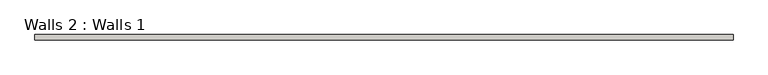
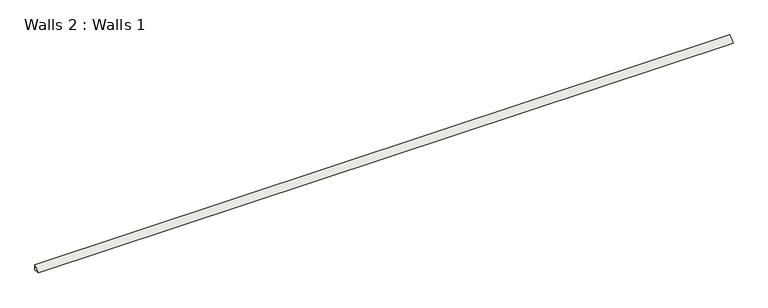
"""IFC4 building model written with IfcOpenShell, lengths in millimetres: wall geometry, Walls 2 : Walls 1."""

from ifc_helpers import new_model, si_unit, frame, origin, place, context, project, spatial, polyline, outline, extrude, source, transform, mapped, element, save


def walls_2_walls_1_f42eac53(model_context):
    return source(origin(), model_context, "Body", "SweptSolid", [
        extrude(outline(polyline([(2234.9228283, 19.05), (2234.9228283, 0.0), (2215.8728283, 0.0), (2234.9228283, 19.05)])), frame((-328.8487929, 0.0, 0.0), z_axis=(1.0, 0.0, 0.0), x_axis=(0.0, 1.0, 0.0)), (0.0, 0.0, 1.0), 2438.4),
    ])


if __name__ == "__main__":
    model = new_model("IFC4")
    model_context = context("Model", 3, world=origin())
    ifc_project = project(units=[si_unit("LENGTHUNIT", "METRE", prefix="MILLI")], contexts=[model_context])
    site = spatial("IfcSite", under=ifc_project)
    building = spatial("IfcBuilding", under=site)
    placement = place(None, origin())
    walls_2_walls_1_shape = walls_2_walls_1_f42eac53(model_context)
    element("IfcWall", 1, ObjectType="Walls 2 : Walls 1", at=placement, inside=building, context=model_context, shape_type="MappedRepresentation", body=[
        mapped(walls_2_walls_1_shape, transform((0.0, 0.0, 0.0), x_axis=(1.0, 0.0, 0.0), y_axis=(0.0, 1.0, 0.0), z_axis=(0.0, 0.0, 1.0))),
    ])
    save(model, "model.ifc")
